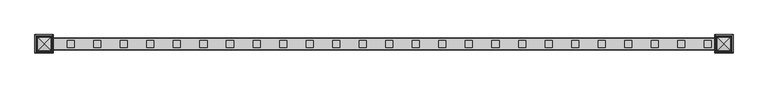
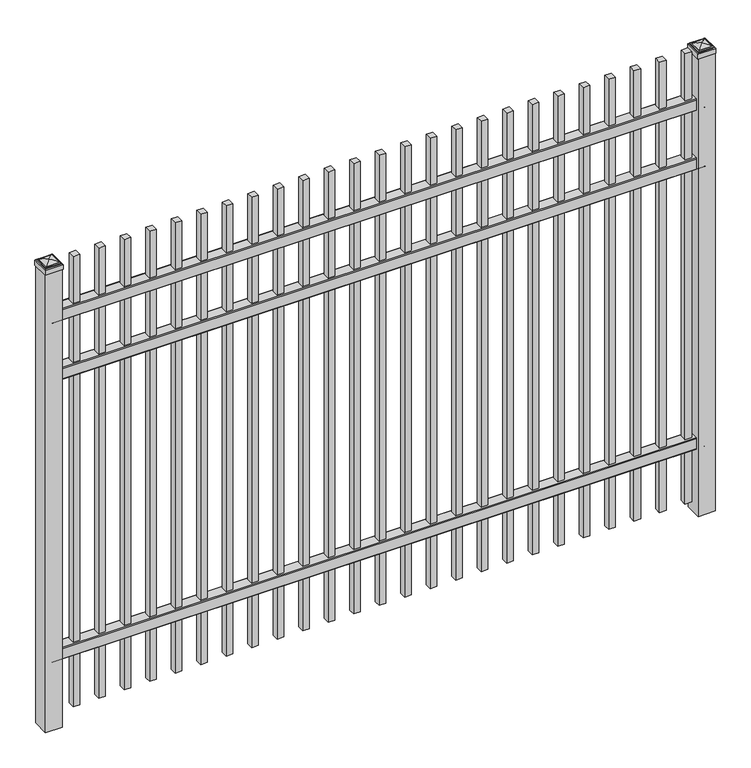
"""IFC4 building model written with IfcOpenShell, lengths in millimetres: railing geometry."""

from ifc_helpers import new_model, si_unit, point, frame, frame_2d, origin, origin_with_axes, place, context, project, spatial, polyline, circle_curve, ellipse_curve, trimmed, segment, composite_curve, outline, extrude, source, transform, mapped, element, save
from ifc_brep_helpers import plane_surface, cylinder_surface, advanced_brep


def railing_746a1672(model_context):
    return source(origin(), model_context, "Body", "SolidModel", [
        extrude(outline(composite_curve([segment(polyline([(10349.9139761, 304.8), (10387.969541, 304.8)]), True, "CONTINUOUS"), segment(trimmed(circle_curve(frame_2d((10387.969541, 301.625)), 3.175), [point((10387.969541, 304.8))], [point((10391.144541, 301.625))], False, "CARTESIAN"), True, "CONTINUOUS"), segment(polyline([(10391.144541, 301.625), (10391.144541, 262.1439893)]), True, "CONTINUOUS"), segment(trimmed(circle_curve(frame_2d((10389.3505518, 262.1439893)), 1.7939893), [point((10391.144541, 262.1439893))], [point((10389.3505518, 260.35))], False, "CARTESIAN"), True, "CONTINUOUS"), segment(polyline([(10389.3505518, 260.35), (10386.7590713, 260.35)]), True, "CONTINUOUS"), segment(trimmed(circle_curve(frame_2d((10386.7590713, 262.1359375)), 1.7859375), [point((10386.7590713, 260.35))], [point((10384.9755813, 262.0424688))], False, "CARTESIAN"), True, "CONTINUOUS"), segment(polyline([(10384.9755813, 262.0424688), (10383.4025867, 292.0569942), (10354.4364954, 292.0569942), (10352.8635007, 262.0424688)]), True, "CONTINUOUS"), segment(trimmed(circle_curve(frame_2d((10351.0800108, 262.1359375)), 1.7859375), [point((10352.8635007, 262.0424688))], [point((10351.0800108, 260.35))], False, "CARTESIAN"), True, "CONTINUOUS"), segment(polyline([(10351.0800108, 260.35), (10348.4804785, 260.35)]), True, "CONTINUOUS"), segment(trimmed(circle_curve(frame_2d((10348.4804785, 262.1359375)), 1.7859375), [point((10348.4804785, 260.35))], [point((10346.694541, 262.1359375))], False, "CARTESIAN"), True, "CONTINUOUS"), segment(polyline([(10346.694541, 262.1359375), (10346.694541, 301.5805649)]), True, "CONTINUOUS"), segment(trimmed(circle_curve(frame_2d((10349.9139761, 301.5805649)), 3.2194351), [point((10346.694541, 301.5805649))], [point((10349.9139761, 304.8))], False, "CARTESIAN"), True, "CONTINUOUS")], self_intersect=False)), frame((6913.3350064, 0.0, 0.0), z_axis=(1.0, 0.0, 0.0), x_axis=(0.0, 1.0, 0.0)), (0.0, 0.0, 1.0), 2438.4),
        extrude(outline(composite_curve([segment(polyline([(10349.9139761, 1409.7), (10387.969541, 1409.7)]), True, "CONTINUOUS"), segment(trimmed(circle_curve(frame_2d((10387.969541, 1406.525)), 3.175), [point((10387.969541, 1409.7))], [point((10391.144541, 1406.525))], False, "CARTESIAN"), True, "CONTINUOUS"), segment(polyline([(10391.144541, 1406.525), (10391.144541, 1367.0439893)]), True, "CONTINUOUS"), segment(trimmed(circle_curve(frame_2d((10389.3505518, 1367.0439893)), 1.7939893), [point((10391.144541, 1367.0439893))], [point((10389.3505518, 1365.25))], False, "CARTESIAN"), True, "CONTINUOUS"), segment(polyline([(10389.3505518, 1365.25), (10386.7590713, 1365.25)]), True, "CONTINUOUS"), segment(trimmed(circle_curve(frame_2d((10386.7590713, 1367.0359375)), 1.7859375), [point((10386.7590713, 1365.25))], [point((10384.9755813, 1366.9424688))], False, "CARTESIAN"), True, "CONTINUOUS"), segment(polyline([(10384.9755813, 1366.9424688), (10383.4025867, 1396.9569942), (10354.4364954, 1396.9569942), (10352.8635007, 1366.9424688)]), True, "CONTINUOUS"), segment(trimmed(circle_curve(frame_2d((10351.0800108, 1367.0359375)), 1.7859375), [point((10352.8635007, 1366.9424688))], [point((10351.0800108, 1365.25))], False, "CARTESIAN"), True, "CONTINUOUS"), segment(polyline([(10351.0800108, 1365.25), (10348.4804785, 1365.25)]), True, "CONTINUOUS"), segment(trimmed(circle_curve(frame_2d((10348.4804785, 1367.0359375)), 1.7859375), [point((10348.4804785, 1365.25))], [point((10346.694541, 1367.0359375))], False, "CARTESIAN"), True, "CONTINUOUS"), segment(polyline([(10346.694541, 1367.0359375), (10346.694541, 1406.4805649)]), True, "CONTINUOUS"), segment(trimmed(circle_curve(frame_2d((10349.9139761, 1406.4805649)), 3.2194351), [point((10346.694541, 1406.4805649))], [point((10349.9139761, 1409.7))], False, "CARTESIAN"), True, "CONTINUOUS")], self_intersect=False)), frame((6913.3350064, 0.0, 0.0), z_axis=(1.0, 0.0, 0.0), x_axis=(0.0, 1.0, 0.0)), (0.0, 0.0, 1.0), 2438.4),
        extrude(outline(composite_curve([segment(polyline([(10349.9139761, 1643.0625), (10387.969541, 1643.0625)]), True, "CONTINUOUS"), segment(trimmed(circle_curve(frame_2d((10387.969541, 1639.8875)), 3.175), [point((10387.969541, 1643.0625))], [point((10391.144541, 1639.8875))], False, "CARTESIAN"), True, "CONTINUOUS"), segment(polyline([(10391.144541, 1639.8875), (10391.144541, 1600.4064893)]), True, "CONTINUOUS"), segment(trimmed(circle_curve(frame_2d((10389.3505518, 1600.4064893)), 1.7939893), [point((10391.144541, 1600.4064893))], [point((10389.3505518, 1598.6125))], False, "CARTESIAN"), True, "CONTINUOUS"), segment(polyline([(10389.3505518, 1598.6125), (10386.7590713, 1598.6125)]), True, "CONTINUOUS"), segment(trimmed(circle_curve(frame_2d((10386.7590713, 1600.3984375)), 1.7859375), [point((10386.7590713, 1598.6125))], [point((10384.9755813, 1600.3049688))], False, "CARTESIAN"), True, "CONTINUOUS"), segment(polyline([(10384.9755813, 1600.3049688), (10383.4025867, 1630.3194942), (10354.4364954, 1630.3194942), (10352.8635007, 1600.3049688)]), True, "CONTINUOUS"), segment(trimmed(circle_curve(frame_2d((10351.0800108, 1600.3984375)), 1.7859375), [point((10352.8635007, 1600.3049688))], [point((10351.0800108, 1598.6125))], False, "CARTESIAN"), True, "CONTINUOUS"), segment(polyline([(10351.0800108, 1598.6125), (10348.4804785, 1598.6125)]), True, "CONTINUOUS"), segment(trimmed(circle_curve(frame_2d((10348.4804785, 1600.3984375)), 1.7859375), [point((10348.4804785, 1598.6125))], [point((10346.694541, 1600.3984375))], False, "CARTESIAN"), True, "CONTINUOUS"), segment(polyline([(10346.694541, 1600.3984375), (10346.694541, 1639.8430649)]), True, "CONTINUOUS"), segment(trimmed(circle_curve(frame_2d((10349.9139761, 1639.8430649)), 3.2194351), [point((10346.694541, 1639.8430649))], [point((10349.9139761, 1643.0625))], False, "CARTESIAN"), True, "CONTINUOUS")], self_intersect=False)), frame((6913.3350064, 0.0, 0.0), z_axis=(1.0, 0.0, 0.0), x_axis=(0.0, 1.0, 0.0)), (0.0, 0.0, 1.0), 2438.4),
        extrude(outline(polyline([(9281.8850064, 10381.619541), (9307.2850064, 10381.619541), (9307.2850064, 10356.219541), (9281.8850064, 10356.219541), (9281.8850064, 10381.619541)])), frame((0.0, 0.0, 50.8), z_axis=(0.0, 0.0, 1.0), x_axis=(1.0, 0.0, 0.0)), (0.0, 0.0, 1.0), 1778.0),
        extrude(outline(polyline([(9186.6350064, 10381.619541), (9212.0350064, 10381.619541), (9212.0350064, 10356.219541), (9186.6350064, 10356.219541), (9186.6350064, 10381.619541)])), frame((0.0, 0.0, 50.8), z_axis=(0.0, 0.0, 1.0), x_axis=(1.0, 0.0, 0.0)), (0.0, 0.0, 1.0), 1778.0),
        extrude(outline(polyline([(9091.3850064, 10381.619541), (9116.7850064, 10381.619541), (9116.7850064, 10356.219541), (9091.3850064, 10356.219541), (9091.3850064, 10381.619541)])), frame((0.0, 0.0, 50.8), z_axis=(0.0, 0.0, 1.0), x_axis=(1.0, 0.0, 0.0)), (0.0, 0.0, 1.0), 1778.0),
        extrude(outline(polyline([(8996.1350064, 10381.619541), (9021.5350064, 10381.619541), (9021.5350064, 10356.219541), (8996.1350064, 10356.219541), (8996.1350064, 10381.619541)])), frame((0.0, 0.0, 50.8), z_axis=(0.0, 0.0, 1.0), x_axis=(1.0, 0.0, 0.0)), (0.0, 0.0, 1.0), 1778.0),
        extrude(outline(polyline([(8900.8850064, 10381.619541), (8926.2850064, 10381.619541), (8926.2850064, 10356.219541), (8900.8850064, 10356.219541), (8900.8850064, 10381.619541)])), frame((0.0, 0.0, 50.8), z_axis=(0.0, 0.0, 1.0), x_axis=(1.0, 0.0, 0.0)), (0.0, 0.0, 1.0), 1778.0),
        extrude(outline(polyline([(8805.6350064, 10381.619541), (8831.0350064, 10381.619541), (8831.0350064, 10356.219541), (8805.6350064, 10356.219541), (8805.6350064, 10381.619541)])), frame((0.0, 0.0, 50.8), z_axis=(0.0, 0.0, 1.0), x_axis=(1.0, 0.0, 0.0)), (0.0, 0.0, 1.0), 1778.0),
        extrude(outline(polyline([(8710.3850064, 10381.619541), (8735.7850064, 10381.619541), (8735.7850064, 10356.219541), (8710.3850064, 10356.219541), (8710.3850064, 10381.619541)])), frame((0.0, 0.0, 50.8), z_axis=(0.0, 0.0, 1.0), x_axis=(1.0, 0.0, 0.0)), (0.0, 0.0, 1.0), 1778.0),
        extrude(outline(polyline([(8615.1350064, 10381.619541), (8640.5350064, 10381.619541), (8640.5350064, 10356.219541), (8615.1350064, 10356.219541), (8615.1350064, 10381.619541)])), frame((0.0, 0.0, 50.8), z_axis=(0.0, 0.0, 1.0), x_axis=(1.0, 0.0, 0.0)), (0.0, 0.0, 1.0), 1778.0),
        extrude(outline(polyline([(8519.8850064, 10381.619541), (8545.2850064, 10381.619541), (8545.2850064, 10356.219541), (8519.8850064, 10356.219541), (8519.8850064, 10381.619541)])), frame((0.0, 0.0, 50.8), z_axis=(0.0, 0.0, 1.0), x_axis=(1.0, 0.0, 0.0)), (0.0, 0.0, 1.0), 1778.0),
        extrude(outline(polyline([(8424.6350064, 10381.619541), (8450.0350064, 10381.619541), (8450.0350064, 10356.219541), (8424.6350064, 10356.219541), (8424.6350064, 10381.619541)])), frame((0.0, 0.0, 50.8), z_axis=(0.0, 0.0, 1.0), x_axis=(1.0, 0.0, 0.0)), (0.0, 0.0, 1.0), 1778.0),
        extrude(outline(polyline([(8329.3850064, 10381.619541), (8354.7850064, 10381.619541), (8354.7850064, 10356.219541), (8329.3850064, 10356.219541), (8329.3850064, 10381.619541)])), frame((0.0, 0.0, 50.8), z_axis=(0.0, 0.0, 1.0), x_axis=(1.0, 0.0, 0.0)), (0.0, 0.0, 1.0), 1778.0),
        extrude(outline(polyline([(8234.1350064, 10381.619541), (8259.5350064, 10381.619541), (8259.5350064, 10356.219541), (8234.1350064, 10356.219541), (8234.1350064, 10381.619541)])), frame((0.0, 0.0, 50.8), z_axis=(0.0, 0.0, 1.0), x_axis=(1.0, 0.0, 0.0)), (0.0, 0.0, 1.0), 1778.0),
        extrude(outline(polyline([(8138.8850064, 10381.619541), (8164.2850064, 10381.619541), (8164.2850064, 10356.219541), (8138.8850064, 10356.219541), (8138.8850064, 10381.619541)])), frame((0.0, 0.0, 50.8), z_axis=(0.0, 0.0, 1.0), x_axis=(1.0, 0.0, 0.0)), (0.0, 0.0, 1.0), 1778.0),
        extrude(outline(polyline([(8043.6350064, 10381.619541), (8069.0350064, 10381.619541), (8069.0350064, 10356.219541), (8043.6350064, 10356.219541), (8043.6350064, 10381.619541)])), frame((0.0, 0.0, 50.8), z_axis=(0.0, 0.0, 1.0), x_axis=(1.0, 0.0, 0.0)), (0.0, 0.0, 1.0), 1778.0),
        extrude(outline(polyline([(7948.3850064, 10381.619541), (7973.7850064, 10381.619541), (7973.7850064, 10356.219541), (7948.3850064, 10356.219541), (7948.3850064, 10381.619541)])), frame((0.0, 0.0, 50.8), z_axis=(0.0, 0.0, 1.0), x_axis=(1.0, 0.0, 0.0)), (0.0, 0.0, 1.0), 1778.0),
        extrude(outline(polyline([(7853.1350064, 10381.619541), (7878.5350064, 10381.619541), (7878.5350064, 10356.219541), (7853.1350064, 10356.219541), (7853.1350064, 10381.619541)])), frame((0.0, 0.0, 50.8), z_axis=(0.0, 0.0, 1.0), x_axis=(1.0, 0.0, 0.0)), (0.0, 0.0, 1.0), 1778.0),
        extrude(outline(polyline([(7757.8850064, 10381.619541), (7783.2850064, 10381.619541), (7783.2850064, 10356.219541), (7757.8850064, 10356.219541), (7757.8850064, 10381.619541)])), frame((0.0, 0.0, 50.8), z_axis=(0.0, 0.0, 1.0), x_axis=(1.0, 0.0, 0.0)), (0.0, 0.0, 1.0), 1778.0),
        extrude(outline(polyline([(7662.6350064, 10381.619541), (7688.0350064, 10381.619541), (7688.0350064, 10356.219541), (7662.6350064, 10356.219541), (7662.6350064, 10381.619541)])), frame((0.0, 0.0, 50.8), z_axis=(0.0, 0.0, 1.0), x_axis=(1.0, 0.0, 0.0)), (0.0, 0.0, 1.0), 1778.0),
        extrude(outline(polyline([(7567.3850064, 10381.619541), (7592.7850064, 10381.619541), (7592.7850064, 10356.219541), (7567.3850064, 10356.219541), (7567.3850064, 10381.619541)])), frame((0.0, 0.0, 50.8), z_axis=(0.0, 0.0, 1.0), x_axis=(1.0, 0.0, 0.0)), (0.0, 0.0, 1.0), 1778.0),
        extrude(outline(polyline([(7472.1350064, 10381.619541), (7497.5350064, 10381.619541), (7497.5350064, 10356.219541), (7472.1350064, 10356.219541), (7472.1350064, 10381.619541)])), frame((0.0, 0.0, 50.8), z_axis=(0.0, 0.0, 1.0), x_axis=(1.0, 0.0, 0.0)), (0.0, 0.0, 1.0), 1778.0),
        extrude(outline(polyline([(7376.8850064, 10381.619541), (7402.2850064, 10381.619541), (7402.2850064, 10356.219541), (7376.8850064, 10356.219541), (7376.8850064, 10381.619541)])), frame((0.0, 0.0, 50.8), z_axis=(0.0, 0.0, 1.0), x_axis=(1.0, 0.0, 0.0)), (0.0, 0.0, 1.0), 1778.0),
        extrude(outline(polyline([(7281.6350064, 10381.619541), (7307.0350064, 10381.619541), (7307.0350064, 10356.219541), (7281.6350064, 10356.219541), (7281.6350064, 10381.619541)])), frame((0.0, 0.0, 50.8), z_axis=(0.0, 0.0, 1.0), x_axis=(1.0, 0.0, 0.0)), (0.0, 0.0, 1.0), 1778.0),
        extrude(outline(polyline([(7186.3850064, 10381.619541), (7211.7850064, 10381.619541), (7211.7850064, 10356.219541), (7186.3850064, 10356.219541), (7186.3850064, 10381.619541)])), frame((0.0, 0.0, 50.8), z_axis=(0.0, 0.0, 1.0), x_axis=(1.0, 0.0, 0.0)), (0.0, 0.0, 1.0), 1778.0),
        extrude(outline(polyline([(7091.1350064, 10381.619541), (7116.5350064, 10381.619541), (7116.5350064, 10356.219541), (7091.1350064, 10356.219541), (7091.1350064, 10381.619541)])), frame((0.0, 0.0, 50.8), z_axis=(0.0, 0.0, 1.0), x_axis=(1.0, 0.0, 0.0)), (0.0, 0.0, 1.0), 1778.0),
        extrude(outline(polyline([(6995.8850064, 10381.619541), (7021.2850064, 10381.619541), (7021.2850064, 10356.219541), (6995.8850064, 10356.219541), (6995.8850064, 10381.619541)])), frame((0.0, 0.0, 50.8), z_axis=(0.0, 0.0, 1.0), x_axis=(1.0, 0.0, 0.0)), (0.0, 0.0, 1.0), 1778.0),
        extrude(outline(polyline([(9383.4850064, 10400.669541), (9383.4850064, 10337.169541), (9319.9850064, 10337.169541), (9319.9850064, 10400.669541), (9383.4850064, 10400.669541)])), origin_with_axes(), (0.0, 0.0, 1.0), 1808.1625),
        advanced_brep(
        [(9318.3975064, 10402.257041, 1826.41875), (9318.3975064, 10402.257041, 1808.1625), (9318.3975064, 10335.582041, 1808.1625), (9318.3975064, 10335.582041, 1826.41875), (9320.7787564, 10399.875791, 1828.8), (9320.7787564, 10337.963291, 1828.8), (9323.1600064, 10397.494541, 1831.18125), (9323.1600064, 10397.494541, 1828.8), (9323.1600064, 10340.344541, 1828.8), (9323.1600064, 10340.344541, 1831.18125), (9325.5412564, 10395.113291, 1833.5625), (9325.5412564, 10342.725791, 1833.5625), (9351.7350064, 10368.919541, 1839.9125), (9327.9225064, 10392.732041, 1833.5625), (9327.9225064, 10345.107041, 1833.5625), (9385.0725064, 10335.582041, 1808.1625), (9385.0725064, 10335.582041, 1826.41875), (9382.6912564, 10337.963291, 1828.8), (9380.3100064, 10340.344541, 1828.8), (9380.3100064, 10340.344541, 1831.18125), (9377.9287564, 10342.725791, 1833.5625), (9375.5475064, 10345.107041, 1833.5625), (9385.0725064, 10402.257041, 1808.1625), (9385.0725064, 10402.257041, 1826.41875), (9382.6912564, 10399.875791, 1828.8), (9380.3100064, 10397.494541, 1828.8), (9380.3100064, 10397.494541, 1831.18125), (9377.9287564, 10395.113291, 1833.5625), (9375.5475064, 10392.732041, 1833.5625)],
        [
            (0, 1),
            (1, 2),
            (2, 3),
            (3, 0),
            (4, 0, ellipse_curve(frame((9320.7787564, 10399.875791, 1826.41875), z_axis=(-0.70710678118655, -0.7071067811865449, 0.0), x_axis=(-0.7071067811865448, 0.7071067811865501, 0.0)), 3.367596, 2.38125)),
            (3, 5, ellipse_curve(frame((9320.7787564, 10337.963291, 1826.41875), z_axis=(-0.7071067811865449, 0.70710678118655, 0.0), x_axis=(0.7071067811865499, 0.707106781186545, 0.0)), 3.367596, 2.38125)),
            (5, 4),
            (6, 7),
            (7, 8),
            (8, 9),
            (9, 6),
            (10, 6, ellipse_curve(frame((9325.5412564, 10395.113291, 1831.18125), z_axis=(-0.70710678118655, -0.7071067811865449, 0.0), x_axis=(-0.7071067811865448, 0.7071067811865501, 0.0)), 3.367596, 2.38125)),
            (9, 11, ellipse_curve(frame((9325.5412564, 10342.725791, 1831.18125), z_axis=(-0.7071067811865449, 0.70710678118655, 0.0), x_axis=(0.7071067811865499, 0.707106781186545, 0.0)), 3.367596, 2.38125)),
            (11, 10),
            (12, 13, ellipse_curve(frame((9351.7350064, 10368.919541, 1792.0890625), z_axis=(-0.70710678118655, -0.7071067811865449, 0.0), x_axis=(-0.7071067811865448, 0.7071067811865501, 0.0)), 67.6325539, 47.8234375)),
            (13, 14),
            (14, 12, ellipse_curve(frame((9351.7350064, 10368.919541, 1792.0890625), z_axis=(-0.7071067811865449, 0.70710678118655, 0.0), x_axis=(0.7071067811865499, 0.707106781186545, 0.0)), 67.6325539, 47.8234375)),
            (2, 15),
            (15, 16),
            (16, 3),
            (16, 17, ellipse_curve(frame((9382.6912564, 10337.963291, 1826.41875), z_axis=(-0.70710678118655, -0.707106781186545, 0.0), x_axis=(-0.707106781186545, 0.70710678118655, 0.0)), 3.367596, 2.38125)),
            (17, 5),
            (8, 18),
            (18, 19),
            (19, 9),
            (19, 20, ellipse_curve(frame((9377.9287564, 10342.725791, 1831.18125), z_axis=(-0.70710678118655, -0.707106781186545, 0.0), x_axis=(-0.707106781186545, 0.70710678118655, 0.0)), 3.367596, 2.38125)),
            (20, 11),
            (14, 21),
            (21, 12, ellipse_curve(frame((9351.7350064, 10368.919541, 1792.0890625), z_axis=(-0.70710678118655, -0.707106781186545, 0.0), x_axis=(-0.707106781186545, 0.70710678118655, 0.0)), 67.6325539, 47.8234375)),
            (15, 22),
            (22, 23),
            (23, 16),
            (23, 24, ellipse_curve(frame((9382.6912564, 10399.875791, 1826.41875), z_axis=(0.707106781186545, -0.7071067811865499, 0.0), x_axis=(-0.7071067811865497, -0.7071067811865452, 0.0)), 3.367596, 2.38125)),
            (24, 17),
            (18, 25),
            (25, 26),
            (26, 19),
            (26, 27, ellipse_curve(frame((9377.9287564, 10395.113291, 1831.18125), z_axis=(0.707106781186545, -0.7071067811865499, 0.0), x_axis=(-0.7071067811865497, -0.7071067811865452, 0.0)), 3.367596, 2.38125)),
            (27, 20),
            (21, 28),
            (28, 12, ellipse_curve(frame((9351.7350064, 10368.919541, 1792.0890625), z_axis=(0.707106781186545, -0.7071067811865499, 0.0), x_axis=(-0.7071067811865497, -0.7071067811865452, 0.0)), 67.6325539, 47.8234375)),
            (22, 1),
            (0, 23),
            (4, 24),
            (7, 25),
            (6, 26),
            (10, 27),
            (13, 28),
        ],
        [
            plane_surface(frame((9318.3975064, 10402.257041, 1808.1625), z_axis=(-1.0, 0.0, 0.0), x_axis=(0.0, -1.0, 0.0))),
            cylinder_surface(frame((9320.7787564, 10400.669541, 1826.41875), z_axis=(0.0, 1.0, 0.0), x_axis=(1.0, 0.0, 0.0)), 2.38125),
            plane_surface(frame((9323.1600064, 10397.494541, 1828.8), z_axis=(-1.0, 0.0, 0.0), x_axis=(0.0, -1.0, 0.0))),
            cylinder_surface(frame((9325.5412564, 10400.669541, 1831.18125), z_axis=(0.0, 1.0, 0.0), x_axis=(1.0, 0.0, 0.0)), 2.38125),
            cylinder_surface(frame((9351.7350064, 10400.669541, 1792.0890625), z_axis=(0.0, 1.0, 0.0), x_axis=(1.0, 0.0, 0.0)), 47.8234375),
            plane_surface(frame((9318.3975064, 10335.582041, 1808.1625), z_axis=(0.0, -1.0, 0.0), x_axis=(1.0, 0.0, 0.0))),
            cylinder_surface(frame((9319.9850064, 10337.963291, 1826.41875), z_axis=(-1.0, 0.0, 0.0), x_axis=(0.0, 1.0, 0.0)), 2.38125),
            plane_surface(frame((9323.1600064, 10340.344541, 1828.8), z_axis=(0.0, -1.0, 0.0), x_axis=(1.0, 0.0, 0.0))),
            cylinder_surface(frame((9319.9850064, 10342.725791, 1831.18125), z_axis=(-1.0, 0.0, 0.0), x_axis=(0.0, 1.0, 0.0)), 2.38125),
            cylinder_surface(frame((9319.9850064, 10368.919541, 1792.0890625), z_axis=(-1.0, 0.0, 0.0), x_axis=(0.0, 1.0, 0.0)), 47.8234375),
            plane_surface(frame((9385.0725064, 10335.582041, 1808.1625), z_axis=(1.0, 0.0, 0.0), x_axis=(0.0, 1.0, 0.0))),
            cylinder_surface(frame((9382.6912564, 10337.169541, 1826.41875), z_axis=(0.0, -1.0, 0.0), x_axis=(-1.0, 0.0, 0.0)), 2.38125),
            plane_surface(frame((9380.3100064, 10340.344541, 1828.8), z_axis=(1.0, 0.0, 0.0), x_axis=(0.0, 1.0, 0.0))),
            cylinder_surface(frame((9377.9287564, 10337.169541, 1831.18125), z_axis=(0.0, -1.0, 0.0), x_axis=(-1.0, 0.0, 0.0)), 2.38125),
            cylinder_surface(frame((9351.7350064, 10337.169541, 1792.0890625), z_axis=(0.0, -1.0, 0.0), x_axis=(-1.0, 0.0, 0.0)), 47.8234375),
            plane_surface(frame((9385.0725064, 10402.257041, 1808.1625), z_axis=(0.0, 1.0, 0.0), x_axis=(-1.0, 0.0, 0.0))),
            cylinder_surface(frame((9383.4850064, 10399.875791, 1826.41875), z_axis=(1.0, 0.0, 0.0), x_axis=(0.0, -1.0, 0.0)), 2.38125),
            plane_surface(frame((9382.6912564, 10399.875791, 1828.8), z_axis=(0.0, 0.0, 1.0), x_axis=(-1.0, 0.0, 0.0))),
            plane_surface(frame((9380.3100064, 10397.494541, 1828.8), z_axis=(0.0, 1.0, 0.0), x_axis=(-1.0, 0.0, 0.0))),
            cylinder_surface(frame((9383.4850064, 10395.113291, 1831.18125), z_axis=(1.0, 0.0, 0.0), x_axis=(0.0, -1.0, 0.0)), 2.38125),
            plane_surface(frame((9377.9287564, 10395.113291, 1833.5625), z_axis=(0.0, 0.0, 1.0), x_axis=(-1.0, 0.0, 0.0))),
            cylinder_surface(frame((9383.4850064, 10368.919541, 1792.0890625), z_axis=(1.0, 0.0, 0.0), x_axis=(0.0, -1.0, 0.0)), 47.8234375),
            plane_surface(frame((9351.7350064, 10368.919541, 1808.1625), z_axis=(0.0, 0.0, -1.0), x_axis=(-1.0, 0.0, 0.0))),
        ],
        [
            (0, [[1, 2, 3, 4]]),
            (1, [[5, -4, 6, 7]]),
            (2, [[8, 9, 10, 11]]),
            (3, [[12, -11, 13, 14]]),
            (4, [[15, 16, 17]]),
            (5, [[-3, 18, 19, 20]]),
            (6, [[-6, -20, 21, 22]]),
            (7, [[-10, 23, 24, 25]]),
            (8, [[-13, -25, 26, 27]]),
            (9, [[-17, 28, 29]]),
            (10, [[-19, 30, 31, 32]]),
            (11, [[-21, -32, 33, 34]]),
            (12, [[-24, 35, 36, 37]]),
            (13, [[-26, -37, 38, 39]]),
            (14, [[-29, 40, 41]]),
            (15, [[-31, 42, -1, 43]]),
            (16, [[-33, -43, -5, 44]]),
            (17, [[-22, -34, -44, -7], [45, -35, -23, -9]]),
            (18, [[-36, -45, -8, 46]]),
            (19, [[-38, -46, -12, 47]]),
            (20, [[-27, -39, -47, -14], [48, -40, -28, -16]]),
            (21, [[-41, -48, -15]]),
            (22, [[-42, -30, -18, -2]]),
        ],
    ),
        extrude(outline(polyline([(6945.0850064, 10400.669541), (6945.0850064, 10337.169541), (6881.5850064, 10337.169541), (6881.5850064, 10400.669541), (6945.0850064, 10400.669541)])), origin_with_axes(), (0.0, 0.0, 1.0), 1808.1625),
        advanced_brep(
        [(6879.9975064, 10402.257041, 1826.41875), (6879.9975064, 10402.257041, 1808.1625), (6879.9975064, 10335.582041, 1808.1625), (6879.9975064, 10335.582041, 1826.41875), (6882.3787564, 10399.875791, 1828.8), (6882.3787564, 10337.963291, 1828.8), (6884.7600064, 10397.494541, 1831.18125), (6884.7600064, 10397.494541, 1828.8), (6884.7600064, 10340.344541, 1828.8), (6884.7600064, 10340.344541, 1831.18125), (6887.1412564, 10395.113291, 1833.5625), (6887.1412564, 10342.725791, 1833.5625), (6913.3350064, 10368.919541, 1839.9125), (6889.5225064, 10392.732041, 1833.5625), (6889.5225064, 10345.107041, 1833.5625), (6946.6725064, 10335.582041, 1808.1625), (6946.6725064, 10335.582041, 1826.41875), (6944.2912564, 10337.963291, 1828.8), (6941.9100064, 10340.344541, 1828.8), (6941.9100064, 10340.344541, 1831.18125), (6939.5287564, 10342.725791, 1833.5625), (6937.1475064, 10345.107041, 1833.5625), (6946.6725064, 10402.257041, 1808.1625), (6946.6725064, 10402.257041, 1826.41875), (6944.2912564, 10399.875791, 1828.8), (6941.9100064, 10397.494541, 1828.8), (6941.9100064, 10397.494541, 1831.18125), (6939.5287564, 10395.113291, 1833.5625), (6937.1475064, 10392.732041, 1833.5625)],
        [
            (0, 1),
            (1, 2),
            (2, 3),
            (3, 0),
            (4, 0, ellipse_curve(frame((6882.3787564, 10399.875791, 1826.41875), z_axis=(-0.70710678118655, -0.7071067811865449, 0.0), x_axis=(-0.7071067811865448, 0.7071067811865501, 0.0)), 3.367596, 2.38125)),
            (3, 5, ellipse_curve(frame((6882.3787564, 10337.963291, 1826.41875), z_axis=(-0.7071067811865449, 0.70710678118655, 0.0), x_axis=(0.7071067811865499, 0.707106781186545, 0.0)), 3.367596, 2.38125)),
            (5, 4),
            (6, 7),
            (7, 8),
            (8, 9),
            (9, 6),
            (10, 6, ellipse_curve(frame((6887.1412564, 10395.113291, 1831.18125), z_axis=(-0.70710678118655, -0.7071067811865449, 0.0), x_axis=(-0.7071067811865448, 0.7071067811865501, 0.0)), 3.367596, 2.38125)),
            (9, 11, ellipse_curve(frame((6887.1412564, 10342.725791, 1831.18125), z_axis=(-0.7071067811865449, 0.70710678118655, 0.0), x_axis=(0.7071067811865499, 0.707106781186545, 0.0)), 3.367596, 2.38125)),
            (11, 10),
            (12, 13, ellipse_curve(frame((6913.3350064, 10368.919541, 1792.0890625), z_axis=(-0.70710678118655, -0.7071067811865449, 0.0), x_axis=(-0.7071067811865448, 0.7071067811865501, 0.0)), 67.6325539, 47.8234375)),
            (13, 14),
            (14, 12, ellipse_curve(frame((6913.3350064, 10368.919541, 1792.0890625), z_axis=(-0.7071067811865449, 0.70710678118655, 0.0), x_axis=(0.7071067811865499, 0.707106781186545, 0.0)), 67.6325539, 47.8234375)),
            (2, 15),
            (15, 16),
            (16, 3),
            (16, 17, ellipse_curve(frame((6944.2912564, 10337.963291, 1826.41875), z_axis=(-0.70710678118655, -0.707106781186545, 0.0), x_axis=(-0.707106781186545, 0.70710678118655, 0.0)), 3.367596, 2.38125)),
            (17, 5),
            (8, 18),
            (18, 19),
            (19, 9),
            (19, 20, ellipse_curve(frame((6939.5287564, 10342.725791, 1831.18125), z_axis=(-0.70710678118655, -0.707106781186545, 0.0), x_axis=(-0.707106781186545, 0.70710678118655, 0.0)), 3.367596, 2.38125)),
            (20, 11),
            (14, 21),
            (21, 12, ellipse_curve(frame((6913.3350064, 10368.919541, 1792.0890625), z_axis=(-0.70710678118655, -0.707106781186545, 0.0), x_axis=(-0.707106781186545, 0.70710678118655, 0.0)), 67.6325539, 47.8234375)),
            (15, 22),
            (22, 23),
            (23, 16),
            (23, 24, ellipse_curve(frame((6944.2912564, 10399.875791, 1826.41875), z_axis=(0.707106781186545, -0.7071067811865499, 0.0), x_axis=(-0.7071067811865497, -0.7071067811865452, 0.0)), 3.367596, 2.38125)),
            (24, 17),
            (18, 25),
            (25, 26),
            (26, 19),
            (26, 27, ellipse_curve(frame((6939.5287564, 10395.113291, 1831.18125), z_axis=(0.707106781186545, -0.7071067811865499, 0.0), x_axis=(-0.7071067811865497, -0.7071067811865452, 0.0)), 3.367596, 2.38125)),
            (27, 20),
            (21, 28),
            (28, 12, ellipse_curve(frame((6913.3350064, 10368.919541, 1792.0890625), z_axis=(0.707106781186545, -0.7071067811865499, 0.0), x_axis=(-0.7071067811865497, -0.7071067811865452, 0.0)), 67.6325539, 47.8234375)),
            (22, 1),
            (0, 23),
            (4, 24),
            (7, 25),
            (6, 26),
            (10, 27),
            (13, 28),
        ],
        [
            plane_surface(frame((6879.9975064, 10402.257041, 1808.1625), z_axis=(-1.0, 0.0, 0.0), x_axis=(0.0, -1.0, 0.0))),
            cylinder_surface(frame((6882.3787564, 10400.669541, 1826.41875), z_axis=(0.0, 1.0, 0.0), x_axis=(1.0, 0.0, 0.0)), 2.38125),
            plane_surface(frame((6884.7600064, 10397.494541, 1828.8), z_axis=(-1.0, 0.0, 0.0), x_axis=(0.0, -1.0, 0.0))),
            cylinder_surface(frame((6887.1412564, 10400.669541, 1831.18125), z_axis=(0.0, 1.0, 0.0), x_axis=(1.0, 0.0, 0.0)), 2.38125),
            cylinder_surface(frame((6913.3350064, 10400.669541, 1792.0890625), z_axis=(0.0, 1.0, 0.0), x_axis=(1.0, 0.0, 0.0)), 47.8234375),
            plane_surface(frame((6879.9975064, 10335.582041, 1808.1625), z_axis=(0.0, -1.0, 0.0), x_axis=(1.0, 0.0, 0.0))),
            cylinder_surface(frame((6881.5850064, 10337.963291, 1826.41875), z_axis=(-1.0, 0.0, 0.0), x_axis=(0.0, 1.0, 0.0)), 2.38125),
            plane_surface(frame((6884.7600064, 10340.344541, 1828.8), z_axis=(0.0, -1.0, 0.0), x_axis=(1.0, 0.0, 0.0))),
            cylinder_surface(frame((6881.5850064, 10342.725791, 1831.18125), z_axis=(-1.0, 0.0, 0.0), x_axis=(0.0, 1.0, 0.0)), 2.38125),
            cylinder_surface(frame((6881.5850064, 10368.919541, 1792.0890625), z_axis=(-1.0, 0.0, 0.0), x_axis=(0.0, 1.0, 0.0)), 47.8234375),
            plane_surface(frame((6946.6725064, 10335.582041, 1808.1625), z_axis=(1.0, 0.0, 0.0), x_axis=(0.0, 1.0, 0.0))),
            cylinder_surface(frame((6944.2912564, 10337.169541, 1826.41875), z_axis=(0.0, -1.0, 0.0), x_axis=(-1.0, 0.0, 0.0)), 2.38125),
            plane_surface(frame((6941.9100064, 10340.344541, 1828.8), z_axis=(1.0, 0.0, 0.0), x_axis=(0.0, 1.0, 0.0))),
            cylinder_surface(frame((6939.5287564, 10337.169541, 1831.18125), z_axis=(0.0, -1.0, 0.0), x_axis=(-1.0, 0.0, 0.0)), 2.38125),
            cylinder_surface(frame((6913.3350064, 10337.169541, 1792.0890625), z_axis=(0.0, -1.0, 0.0), x_axis=(-1.0, 0.0, 0.0)), 47.8234375),
            plane_surface(frame((6946.6725064, 10402.257041, 1808.1625), z_axis=(0.0, 1.0, 0.0), x_axis=(-1.0, 0.0, 0.0))),
            cylinder_surface(frame((6945.0850064, 10399.875791, 1826.41875), z_axis=(1.0, 0.0, 0.0), x_axis=(0.0, -1.0, 0.0)), 2.38125),
            plane_surface(frame((6944.2912564, 10399.875791, 1828.8), z_axis=(0.0, 0.0, 1.0), x_axis=(-1.0, 0.0, 0.0))),
            plane_surface(frame((6941.9100064, 10397.494541, 1828.8), z_axis=(0.0, 1.0, 0.0), x_axis=(-1.0, 0.0, 0.0))),
            cylinder_surface(frame((6945.0850064, 10395.113291, 1831.18125), z_axis=(1.0, 0.0, 0.0), x_axis=(0.0, -1.0, 0.0)), 2.38125),
            plane_surface(frame((6939.5287564, 10395.113291, 1833.5625), z_axis=(0.0, 0.0, 1.0), x_axis=(-1.0, 0.0, 0.0))),
            cylinder_surface(frame((6945.0850064, 10368.919541, 1792.0890625), z_axis=(1.0, 0.0, 0.0), x_axis=(0.0, -1.0, 0.0)), 47.8234375),
            plane_surface(frame((6913.3350064, 10368.919541, 1808.1625), z_axis=(0.0, 0.0, -1.0), x_axis=(-1.0, 0.0, 0.0))),
        ],
        [
            (0, [[1, 2, 3, 4]]),
            (1, [[5, -4, 6, 7]]),
            (2, [[8, 9, 10, 11]]),
            (3, [[12, -11, 13, 14]]),
            (4, [[15, 16, 17]]),
            (5, [[-3, 18, 19, 20]]),
            (6, [[-6, -20, 21, 22]]),
            (7, [[-10, 23, 24, 25]]),
            (8, [[-13, -25, 26, 27]]),
            (9, [[-17, 28, 29]]),
            (10, [[-19, 30, 31, 32]]),
            (11, [[-21, -32, 33, 34]]),
            (12, [[-24, 35, 36, 37]]),
            (13, [[-26, -37, 38, 39]]),
            (14, [[-29, 40, 41]]),
            (15, [[-31, 42, -1, 43]]),
            (16, [[-33, -43, -5, 44]]),
            (17, [[-22, -34, -44, -7], [45, -35, -23, -9]]),
            (18, [[-36, -45, -8, 46]]),
            (19, [[-38, -46, -12, 47]]),
            (20, [[-27, -39, -47, -14], [48, -40, -28, -16]]),
            (21, [[-41, -48, -15]]),
            (22, [[-42, -30, -18, -2]]),
        ],
    ),
    ])


if __name__ == "__main__":
    model = new_model("IFC4")
    model_context = context("Model", 3, world=origin())
    ifc_project = project(units=[si_unit("LENGTHUNIT", "METRE", prefix="MILLI")], contexts=[model_context])
    site = spatial("IfcSite", under=ifc_project)
    building = spatial("IfcBuilding", under=site)
    placement = place(None, origin())
    railing_shape = railing_746a1672(model_context)
    element("IfcRailing", 1, at=placement, inside=building, context=model_context, shape_type="MappedRepresentation", body=[
        mapped(railing_shape, transform((0.0, 0.0, 0.0), x_axis=(1.0, 0.0, 0.0), y_axis=(0.0, 1.0, 0.0), z_axis=(0.0, 0.0, 1.0))),
    ])
    save(model, "model.ifc")
